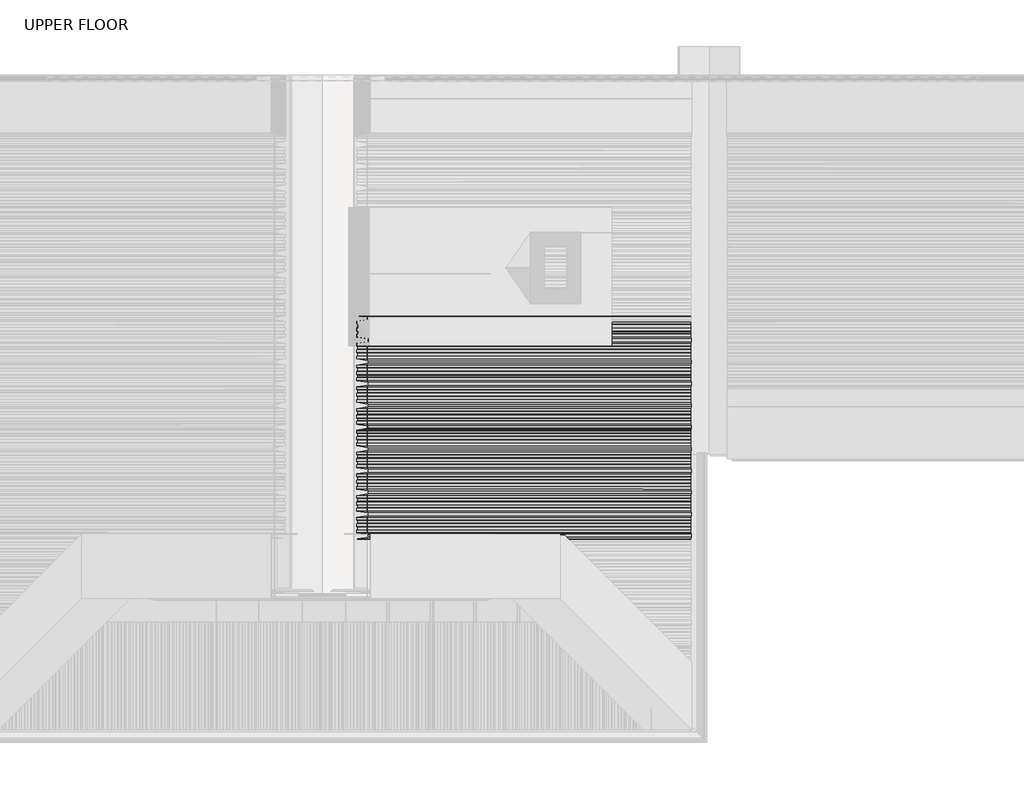
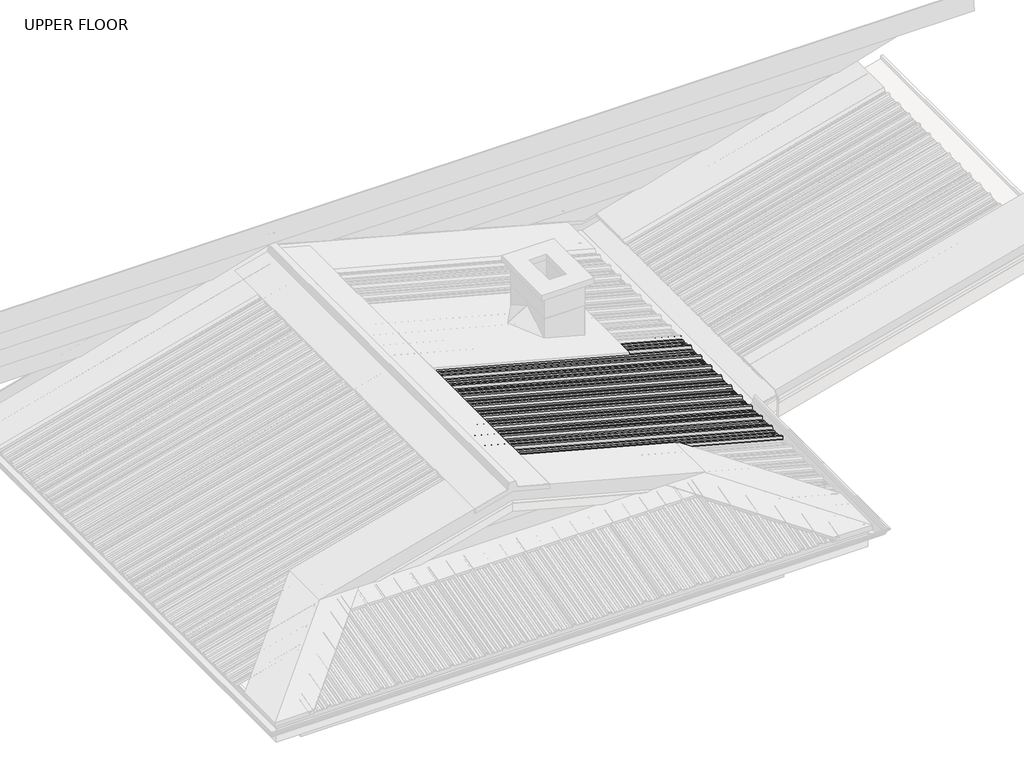
# One storey, part 14 of 21: 2 beams.
"""IFC4 building model written with IfcOpenShell, lengths in millimetres."""

from ifc_helpers import new_model, si_unit, point, frame, frame_2d, origin, place, context, project, spatial, polyline, circle_curve, trimmed, segment, composite_curve, outline, extrude, element, save

model = new_model("IFC4")

# Units and contexts
model_context = context("Model", 3, world=origin())
ifc_project = project(units=[si_unit("LENGTHUNIT", "METRE", prefix="MILLI")], contexts=[model_context])

# Site, building, storey
site = spatial("IfcSite", under=ifc_project)
building = spatial("IfcBuilding", under=site)
storey = spatial("IfcBuildingStorey", under=building, Name="UPPER FLOOR", Elevation=2700.0)

# Beams
placement = place(None, origin())
element("IfcBeam", 1, at=placement, inside=storey, context=model_context, shape_type="SweptSolid", body=[
    extrude(outline(composite_curve([segment(polyline([(0.0, 0.0), (19.7489456, -9.5715291), (21.2434171, -31.4097526), (36.2533083, -38.6844504), (49.0406202, -29.9197371)]), True, "CONTINUOUS"), segment(trimmed(circle_curve(frame_2d((49.3033466, -30.3030426)), 0.4647024), [point((49.0406202, -29.9197371))], [point((49.5660728, -30.6863483))], False, "CARTESIAN"), True, "CONTINUOUS"), segment(polyline([(49.5660728, -30.6863483), (36.2665637, -39.8021334), (20.3578891, -32.091831), (18.8634176, -10.2536075), (-0.2295599, -1.0000001), (-4.8152816, -1.0), (-21.1196694, 6.9020888), (-23.1847545, 10.1254706), (-42.7172768, 19.592108), (-46.326499, 19.1188375), (-60.9624137, 26.2122837), (-62.8290553, 29.3394878), (-80.3982312, 37.8545692), (-100.3424839, 24.1843263), (-118.3400957, 32.9070536), (-119.99188, 57.0440373), (-137.0114094, 65.2927269), (-141.5971311, 65.292727), (-157.9015188, 73.1948158), (-159.966604, 76.4181975), (-179.4991263, 85.8848349), (-183.1083485, 85.4115644), (-197.7442632, 92.5050107), (-199.6109048, 95.6322147), (-217.1800807, 104.1472961), (-237.1243334, 90.4770533), (-255.1219452, 99.1997806), (-256.7737295, 123.3367643), (-273.7932589, 131.5854539), (-278.3789806, 131.5854539), (-294.6833683, 139.4875428), (-296.7484535, 142.7109245), (-316.2809758, 152.1775619), (-319.890198, 151.7042914), (-334.5261127, 158.7977377), (-336.3927543, 161.9249417), (-353.9619302, 170.4400231), (-373.9061829, 156.7697803), (-391.9037947, 165.4925075), (-393.555579, 189.6294913), (-410.5751084, 197.8781809), (-415.1608301, 197.8781809), (-431.4652178, 205.7802697), (-433.5303029, 209.0036515), (-453.0628253, 218.4702889), (-456.6720475, 217.9970184), (-471.3079622, 225.0904647), (-473.1746037, 228.2176687), (-490.7437797, 236.7327501), (-510.6880324, 223.0625073), (-528.6856442, 231.7852345), (-530.3374284, 255.9222183), (-547.3569578, 264.1709079), (-551.9426796, 264.1709079), (-568.2470673, 272.0729967), (-570.3121524, 275.2963785), (-589.8446748, 284.7630159), (-593.453897, 284.2897454), (-608.0898117, 291.3831916), (-609.9564532, 294.5103957), (-627.5256292, 303.0254771), (-647.4698819, 289.3552343), (-665.4674936, 298.0779615), (-666.9619651, 319.9161849), (-669.6041399, 321.1967421)]), True, "CONTINUOUS"), segment(trimmed(circle_curve(frame_2d((-669.3860717, 321.6466823)), 0.5), [point((-669.6041399, 321.1967421))], [point((-669.1680035, 322.0966226))], False, "CARTESIAN"), True, "CONTINUOUS"), segment(polyline([(-669.1680035, 322.0966226), (-666.0764371, 320.5982632), (-664.5819656, 298.7600398), (-647.4831372, 290.4729172), (-627.5388845, 304.14316), (-609.2511166, 295.2798056), (-607.3844751, 292.1526015), (-593.2871223, 285.3201748), (-589.6779001, 285.7934454), (-569.622254, 276.0732708), (-567.557169, 272.8498889), (-551.7131197, 265.1709079), (-547.127398, 265.1709079), (-529.4519003, 256.6042966), (-527.8001161, 232.4673128), (-510.7012877, 224.1801902), (-490.757035, 237.8504331), (-472.4692671, 228.9870787), (-470.6026256, 225.8598745), (-456.5052728, 219.0274479), (-452.8960506, 219.5007184), (-432.8404046, 209.7805438), (-430.7753195, 206.5571619), (-414.9312703, 198.8781809), (-410.3455485, 198.8781809), (-392.6700508, 190.3115696), (-391.0182666, 166.1745858), (-373.9194383, 157.8874632), (-353.9751855, 171.5577061), (-335.6874176, 162.6943517), (-333.8207761, 159.5671476), (-319.7234233, 152.7347209), (-316.1142011, 153.2079915), (-296.0585551, 143.4878168), (-293.99347, 140.264435), (-278.1494208, 132.5854539), (-273.563699, 132.585454), (-255.8882014, 124.0188426), (-254.2364171, 99.8818588), (-237.1375888, 91.5947362), (-217.193336, 105.2649791), (-198.9055681, 96.4016247), (-197.0389266, 93.2744206), (-182.9415738, 86.4419939), (-179.3323516, 86.9152645), (-159.2767056, 77.1950898), (-157.2116205, 73.971708), (-141.3675713, 66.2927269), (-136.7818495, 66.292727), (-119.1063519, 57.7261157), (-117.4545676, 33.5891318), (-100.3557393, 25.3020092), (-80.4114865, 38.9722521), (-62.1237186, 30.1088977), (-60.2570771, 26.9816936), (-46.1597244, 20.1492669), (-42.5505021, 20.6225375), (-22.4948561, 10.9023628), (-20.429771, 7.678981), (-4.5857218, 0.0), (0.0, 0.0)]), True, "CONTINUOUS")], self_intersect=False)), frame((4584.6645529, -2586.1714421, 3273.3606404), z_axis=(-0.9659258262890682, 0.0, 0.2588190451025208), x_axis=(-0.11288039666962568, 0.8998805887467901, -0.42127537554957867)), (0.0, 0.0, 1.0), 2590.2025973),
])
element("IfcBeam", 2, at=placement, inside=storey, context=model_context, shape_type="SweptSolid", body=[
    extrude(outline(composite_curve([segment(polyline([(0.0, 0.0), (19.7489456, -9.5715291), (21.2434171, -31.4097526), (36.2533083, -38.6844504), (49.0406202, -29.9197371)]), True, "CONTINUOUS"), segment(trimmed(circle_curve(frame_2d((49.3033466, -30.3030426)), 0.4647024), [point((49.0406202, -29.9197371))], [point((49.5660728, -30.6863483))], False, "CARTESIAN"), True, "CONTINUOUS"), segment(polyline([(49.5660728, -30.6863483), (36.2665637, -39.8021334), (20.3578891, -32.091831), (18.8634176, -10.2536075), (-0.2295599, -1.0000001), (-4.8152816, -1.0), (-21.1196694, 6.9020888), (-23.1847545, 10.1254706), (-42.7172768, 19.592108), (-46.326499, 19.1188375), (-60.9624137, 26.2122837), (-62.8290553, 29.3394878), (-80.3982312, 37.8545692), (-100.3424839, 24.1843263), (-118.3400957, 32.9070536), (-119.99188, 57.0440373), (-137.0114094, 65.2927269), (-141.5971311, 65.292727), (-157.9015188, 73.1948158), (-159.966604, 76.4181975), (-179.4991263, 85.8848349), (-183.1083485, 85.4115644), (-197.7442632, 92.5050107), (-199.6109048, 95.6322147), (-217.1800807, 104.1472961), (-237.1243334, 90.4770533), (-255.1219452, 99.1997806), (-256.7737295, 123.3367643), (-273.7932589, 131.5854539), (-278.3789806, 131.5854539), (-294.6833683, 139.4875428), (-296.7484535, 142.7109245), (-316.2809758, 152.1775619), (-319.890198, 151.7042914), (-334.5261127, 158.7977377), (-336.3927543, 161.9249417), (-353.9619302, 170.4400231), (-373.9061829, 156.7697803), (-391.9037947, 165.4925075), (-393.555579, 189.6294913), (-410.5751084, 197.8781809), (-415.1608301, 197.8781809), (-431.4652178, 205.7802697), (-433.5303029, 209.0036515), (-453.0628253, 218.4702889), (-456.6720475, 217.9970184), (-471.3079622, 225.0904647), (-473.1746037, 228.2176687), (-490.7437797, 236.7327501), (-510.6880324, 223.0625073), (-528.6856442, 231.7852345), (-530.3374284, 255.9222183), (-547.3569578, 264.1709079), (-551.9426796, 264.1709079), (-568.2470673, 272.0729967), (-570.3121524, 275.2963785), (-589.8446748, 284.7630159), (-593.453897, 284.2897454), (-608.0898117, 291.3831916), (-609.9564532, 294.5103957), (-627.5256292, 303.0254771), (-647.4698819, 289.3552343), (-665.4674936, 298.0779615), (-666.9619651, 319.9161849), (-669.6041399, 321.1967421)]), True, "CONTINUOUS"), segment(trimmed(circle_curve(frame_2d((-669.3860717, 321.6466823)), 0.5), [point((-669.6041399, 321.1967421))], [point((-669.1680035, 322.0966226))], False, "CARTESIAN"), True, "CONTINUOUS"), segment(polyline([(-669.1680035, 322.0966226), (-666.0764371, 320.5982632), (-664.5819656, 298.7600398), (-647.4831372, 290.4729172), (-627.5388845, 304.14316), (-609.2511166, 295.2798056), (-607.3844751, 292.1526015), (-593.2871223, 285.3201748), (-589.6779001, 285.7934454), (-569.622254, 276.0732708), (-567.557169, 272.8498889), (-551.7131197, 265.1709079), (-547.127398, 265.1709079), (-529.4519003, 256.6042966), (-527.8001161, 232.4673128), (-510.7012877, 224.1801902), (-490.757035, 237.8504331), (-472.4692671, 228.9870787), (-470.6026256, 225.8598745), (-456.5052728, 219.0274479), (-452.8960506, 219.5007184), (-432.8404046, 209.7805438), (-430.7753195, 206.5571619), (-414.9312703, 198.8781809), (-410.3455485, 198.8781809), (-392.6700508, 190.3115696), (-391.0182666, 166.1745858), (-373.9194383, 157.8874632), (-353.9751855, 171.5577061), (-335.6874176, 162.6943517), (-333.8207761, 159.5671476), (-319.7234233, 152.7347209), (-316.1142011, 153.2079915), (-296.0585551, 143.4878168), (-293.99347, 140.264435), (-278.1494208, 132.5854539), (-273.563699, 132.585454), (-255.8882014, 124.0188426), (-254.2364171, 99.8818588), (-237.1375888, 91.5947362), (-217.193336, 105.2649791), (-198.9055681, 96.4016247), (-197.0389266, 93.2744206), (-182.9415738, 86.4419939), (-179.3323516, 86.9152645), (-159.2767056, 77.1950898), (-157.2116205, 73.971708), (-141.3675713, 66.2927269), (-136.7818495, 66.292727), (-119.1063519, 57.7261157), (-117.4545676, 33.5891318), (-100.3557393, 25.3020092), (-80.4114865, 38.9722521), (-62.1237186, 30.1088977), (-60.2570771, 26.9816936), (-46.1597244, 20.1492669), (-42.5505021, 20.6225375), (-22.4948561, 10.9023628), (-20.429771, 7.678981), (-4.5857218, 0.0), (0.0, 0.0)]), True, "CONTINUOUS")], self_intersect=False)), frame((4584.6645529, -1826.1714421, 3273.3606404), z_axis=(-0.9659258262890682, 0.0, 0.2588190451025208), x_axis=(-0.11288039666962578, 0.8998805887467901, -0.42127537554957867)), (0.0, 0.0, 1.0), 2590.2025973),
])

save(model, "model.ifc")
